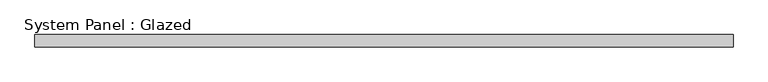
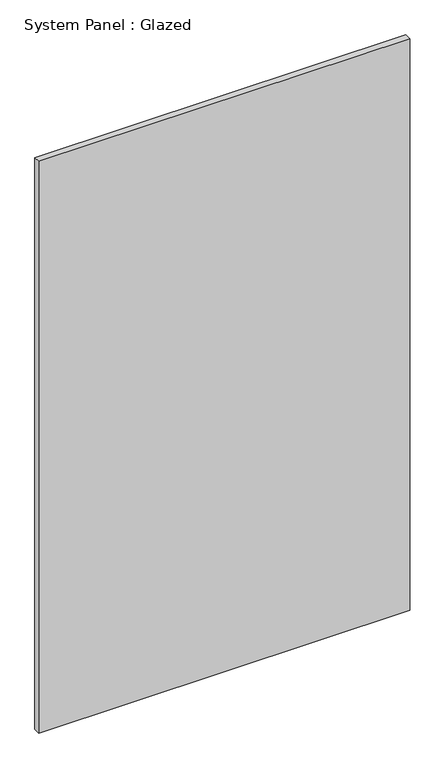
"""IFC4 building model written with IfcOpenShell, lengths in millimetres: plate geometry, System Panel : Glazed."""

from ifc_helpers import new_model, si_unit, origin, origin_with_axes, place, context, project, spatial, polyline, outline, extrude, source, transform, mapped, element, save


def system_panel_glazed_68282cdf(model_context):
    return source(origin(), model_context, "Body", "SweptSolid", [
        extrude(outline(polyline([(713.6929397, 24.5), (-713.6929397, 24.5), (-713.6929397, 49.5), (713.6929397, 49.5), (713.6929397, 24.5)])), origin_with_axes(), (0.0, 0.0, 1.0), 2325.0),
    ])


if __name__ == "__main__":
    model = new_model("IFC4")
    model_context = context("Model", 3, world=origin())
    ifc_project = project(units=[si_unit("LENGTHUNIT", "METRE", prefix="MILLI")], contexts=[model_context])
    site = spatial("IfcSite", under=ifc_project)
    building = spatial("IfcBuilding", under=site)
    placement = place(None, origin())
    system_panel_glazed_shape = system_panel_glazed_68282cdf(model_context)
    element("IfcPlate", 1, ObjectType="System Panel : Glazed", at=placement, inside=building, context=model_context, shape_type="MappedRepresentation", body=[
        mapped(system_panel_glazed_shape, transform((0.0, 0.0, 0.0), x_axis=(1.0, 0.0, 0.0), y_axis=(0.0, 1.0, 0.0), z_axis=(0.0, 0.0, 1.0))),
    ])
    save(model, "model.ifc")
